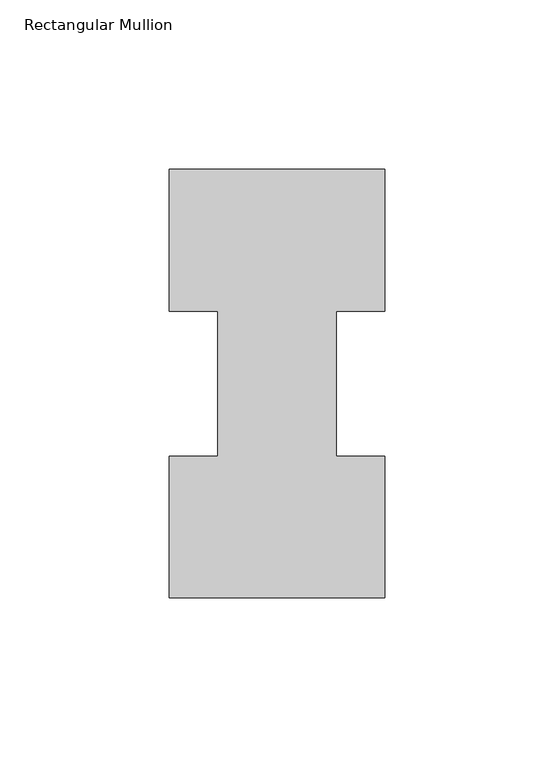
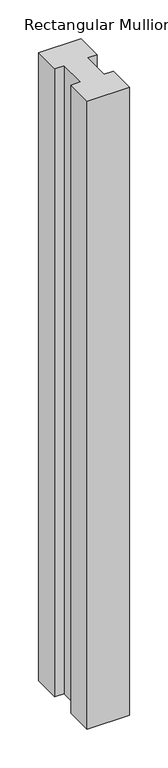
"""IFC4 building model written with IfcOpenShell, lengths in millimetres: member geometry, Rectangular Mullion."""

from ifc_helpers import new_model, si_unit, frame, origin, place, context, project, spatial, polyline, outline, extrude, source, transform, mapped, element, save


def rectangular_mullion_5b0915b7(model_context):
    return source(origin(), model_context, "Body", "SweptSolid", [
        extrude(outline(polyline([(-63.5, 0.2967757), (-63.5, 42.1178757), (-49.2125, 42.1178757), (-49.2125, 84.93125), (-63.5, 84.93125), (-63.5, 126.7887757), (0.0, 126.7887757), (0.0, 84.93125), (-14.2748, 84.93125), (-14.2748, 42.1178757), (0.0, 42.1178757), (0.0, 0.2967757), (-63.5, 0.2967757)])), frame((0.0, 0.0, -993.775), z_axis=(0.0, 0.0, 1.0), x_axis=(1.0, 0.0, 0.0)), (0.0, 0.0, 1.0), 993.775),
    ])


if __name__ == "__main__":
    model = new_model("IFC4")
    model_context = context("Model", 3, world=origin())
    ifc_project = project(units=[si_unit("LENGTHUNIT", "METRE", prefix="MILLI")], contexts=[model_context])
    site = spatial("IfcSite", under=ifc_project)
    building = spatial("IfcBuilding", under=site)
    placement = place(None, origin())
    rectangular_mullion_shape = rectangular_mullion_5b0915b7(model_context)
    element("IfcMember", 1, ObjectType="Rectangular Mullion", at=placement, inside=building, context=model_context, shape_type="MappedRepresentation", body=[
        mapped(rectangular_mullion_shape, transform((0.0, 0.0, 0.0), x_axis=(1.0, 0.0, 0.0), y_axis=(0.0, 1.0, 0.0), z_axis=(0.0, 0.0, 1.0))),
    ])
    save(model, "model.ifc")
